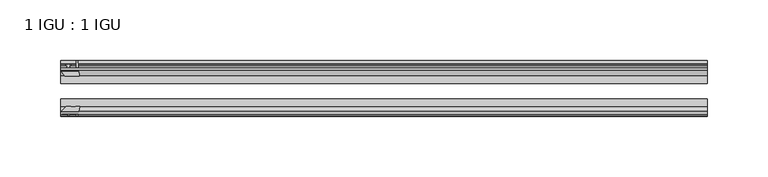
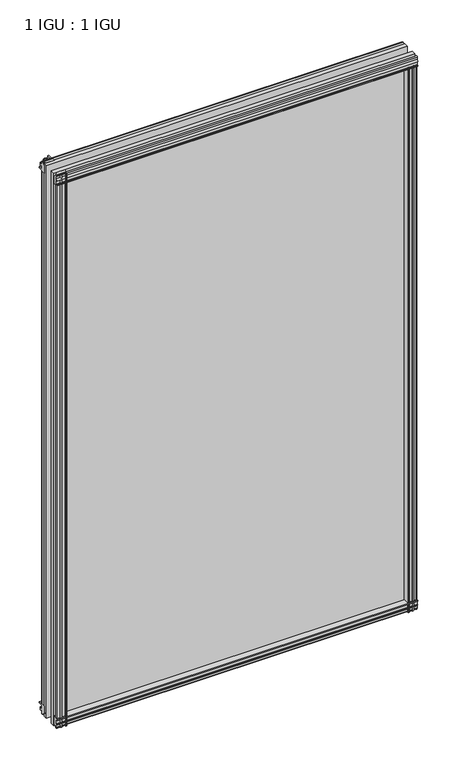
"""IFC4 building model written with IfcOpenShell, lengths in millimetres: plate geometry, 1 IGU : 1 IGU."""

from ifc_helpers import new_model, si_unit, point, frame, frame_2d, origin, place, context, project, spatial, polyline, circle_curve, trimmed, segment, composite_curve, outline, extrude, source, transform, mapped, element, save


def plate_1_igu_1_igu_80630c7d(model_context):
    return source(origin(), model_context, "Body", "SweptSolid", [
        extrude(outline(polyline([(-24.9039062, 2.5763839), (-12.2039062, 1.5739665), (-12.2039062, 0.0), (-18.5539062, 0.0), (-18.5539062, -4.953), (-16.254502, -5.5691235), (-16.6301757, -4.1670901), (-15.7714677, -3.937), (-15.1249062, -6.35), (-15.7714677, -8.763), (-16.6301757, -8.5329099), (-16.254502, -7.1308765), (-18.5539062, -7.747), (-18.5539062, -12.7), (-20.5859062, -12.7), (-24.9039062, -9.1036931), (-24.9039062, 2.5763839)])), frame((-267.5923683, 0.0, 0.0), z_axis=(1.0, 0.0, 0.0), x_axis=(0.0, 1.0, 0.0)), (0.0, 0.0, 1.0), 533.4980179),
        extrude(outline(composite_curve([segment(polyline([(-58.2287402, 1.5687054), (-50.3039062, 3.0983599), (-50.3039062, -7.92383), (-54.4858806, -12.1058044)]), True, "CONTINUOUS"), segment(trimmed(circle_curve(frame_2d((-55.3839062, -11.2077788)), 1.27), [point((-54.4858806, -12.1058044))], [point((-56.6539062, -11.2077788))], False, "CARTESIAN"), True, "CONTINUOUS"), segment(polyline([(-56.6539062, -11.2077788), (-56.6539062, -8.0327788), (-58.1332022, -5.4488186), (-56.6539062, -5.1879788), (-56.6539062, 0.2222212), (-58.2287402, 0.0), (-58.2287402, 1.5687054)]), True, "CONTINUOUS")], self_intersect=False)), frame((-267.5923683, 0.0, 0.0), z_axis=(1.0, 0.0, 0.0), x_axis=(0.0, 1.0, 0.0)), (0.0, 0.0, 1.0), 533.4980179),
        extrude(outline(polyline([(-18.5539063, 845.956525), (-16.254502, 845.3404015), (-16.6301757, 846.7424349), (-15.7714677, 846.972525), (-15.1249063, 844.559525), (-15.7714677, 842.146525), (-16.6301757, 842.3766151), (-16.254502, 843.7786485), (-18.5539063, 843.162525), (-18.5539063, 838.209525), (-12.2039062, 838.209525), (-12.2039062, 836.6355584), (-24.9039063, 835.6331411), (-24.9039063, 847.3132181), (-20.5859063, 850.909525), (-18.5539063, 850.909525), (-18.5539063, 845.956525)])), frame((-267.5923683, 0.0, 0.0), z_axis=(1.0, 0.0, 0.0), x_axis=(0.0, 1.0, 0.0)), (0.0, 0.0, 1.0), 533.4980179),
        extrude(outline(composite_curve([segment(polyline([(-50.3039063, 846.133355), (-50.3039063, 835.1111651), (-58.2287402, 836.6408196), (-58.2287402, 838.209525), (-56.6539063, 837.9873038), (-56.6539063, 843.3975038), (-58.1332023, 843.6583436), (-56.6539063, 846.2423038), (-56.6539063, 849.4173038)]), True, "CONTINUOUS"), segment(trimmed(circle_curve(frame_2d((-55.3839063, 849.4173038)), 1.27), [point((-56.6539063, 849.4173038))], [point((-54.4858806, 850.3153294))], False, "CARTESIAN"), True, "CONTINUOUS"), segment(polyline([(-54.4858806, 850.3153294), (-50.3039063, 846.133355)]), True, "CONTINUOUS")], self_intersect=False)), frame((-267.5923683, 0.0, 0.0), z_axis=(1.0, 0.0, 0.0), x_axis=(0.0, 1.0, 0.0)), (0.0, 0.0, 1.0), 533.4980179),
        extrude(outline(composite_curve([segment(polyline([(251.4746056, -57.3876965), (250.1072897, -50.3039063), (261.1294796, -50.3039063), (265.311454, -54.4858806)]), True, "CONTINUOUS"), segment(trimmed(circle_curve(frame_2d((264.4134284, -55.3839062)), 1.27), [point((265.311454, -54.4858806))], [point((264.4134284, -56.6539062))], False, "CARTESIAN"), True, "CONTINUOUS"), segment(polyline([(264.4134284, -56.6539062), (261.2384284, -56.6539063), (258.6544682, -58.1332023), (258.3936284, -56.6539063), (252.9834284, -56.6539063), (253.2056496, -58.2287402), (252.2413288, -58.2014026)]), True, "CONTINUOUS"), segment(trimmed(circle_curve(frame_2d((252.4754284, -57.2127402)), 1.016), [point((252.2413288, -58.2014026))], [point((251.4746056, -57.3876965))], False, "CARTESIAN"), True, "CONTINUOUS")], self_intersect=False)), frame((0.0, 0.0, -12.7), z_axis=(0.0, 0.0, 1.0), x_axis=(1.0, 0.0, 0.0)), (0.0, 0.0, 1.0), 851.3064),
        extrude(outline(polyline([(258.1586496, -18.5539062), (258.7747731, -16.254502), (257.3727397, -16.6301757), (257.1426496, -15.7714677), (259.5556496, -15.1249062), (261.9686496, -15.7714677), (261.7385595, -16.6301757), (260.3365261, -16.254502), (260.9526496, -18.5539062), (265.9056496, -18.5539062), (265.9056496, -20.5859063), (262.3093427, -24.9039063), (250.6292657, -24.9039063), (251.631683, -12.2039062), (253.2056496, -12.2039062), (253.2056496, -18.5539062), (258.1586496, -18.5539062)])), frame((0.0, 0.0, -12.7), z_axis=(0.0, 0.0, 1.0), x_axis=(1.0, 0.0, 0.0)), (0.0, 0.0, 1.0), 851.3064),
        extrude(outline(composite_curve([segment(polyline([(-262.9251471, -56.6539062), (-266.1001471, -56.6539062)]), True, "CONTINUOUS"), segment(trimmed(circle_curve(frame_2d((-266.1001471, -55.3839062)), 1.27), [point((-266.1001471, -56.6539062))], [point((-266.9981728, -54.4858806))], False, "CARTESIAN"), True, "CONTINUOUS"), segment(polyline([(-266.9981728, -54.4858806), (-262.8161984, -50.3039062), (-259.1466529, -50.3039062)]), True, "CONTINUOUS"), segment(trimmed(circle_curve(frame_2d((-257.0831471, -46.3669062)), 4.445), [point((-259.1466529, -50.3039062))], [point((-255.0196414, -50.3039062))], True, "CARTESIAN"), True, "CONTINUOUS"), segment(polyline([(-255.0196414, -50.3039062), (-251.7940084, -50.3039062), (-253.3236629, -58.2287402), (-254.8923683, -58.2287402), (-254.6701471, -56.6539062), (-260.0803471, -56.6539062), (-260.3411869, -58.1332022), (-262.9251471, -56.6539062)]), True, "CONTINUOUS")], self_intersect=False)), frame((0.0, 0.0, -12.7), z_axis=(0.0, 0.0, 1.0), x_axis=(1.0, 0.0, 0.0)), (0.0, 0.0, 1.0), 863.609525),
        extrude(outline(polyline([(-252.3159844, -24.9039062), (-263.9960614, -24.9039062), (-267.5923683, -20.5859062), (-267.5923683, -18.5539062), (-262.6393683, -18.5539062), (-262.0232448, -16.254502), (-263.4252782, -16.6301757), (-263.6553683, -15.7714677), (-261.2423683, -15.1249062), (-258.8293683, -15.7714677), (-259.0594585, -16.6301757), (-260.4614919, -16.254502), (-259.8453683, -18.5539062), (-254.8923683, -18.5539062), (-254.8923683, -12.2039062), (-253.3184018, -12.2039062), (-252.3159844, -24.9039062)])), frame((0.0, 0.0, -12.7), z_axis=(0.0, 0.0, 1.0), x_axis=(1.0, 0.0, 0.0)), (0.0, 0.0, 1.0), 863.609525),
        extrude(outline(polyline([(265.9056496, -24.9039062), (265.9056496, -31.2031063), (-267.5923683, -31.2031063), (-267.5923683, -24.9039062), (265.9056496, -24.9039062)])), frame((0.0, 0.0, -12.7), z_axis=(0.0, 0.0, 1.0), x_axis=(1.0, 0.0, 0.0)), (0.0, 0.0, 1.0), 863.609525),
        extrude(outline(polyline([(-267.5923683, -44.0047063), (265.9056496, -44.0047063), (265.9056496, -50.3039062), (-267.5923683, -50.3039062), (-267.5923683, -44.0047063)])), frame((0.0, 0.0, -12.7), z_axis=(0.0, 0.0, 1.0), x_axis=(1.0, 0.0, 0.0)), (0.0, 0.0, 1.0), 863.609525),
    ])


if __name__ == "__main__":
    model = new_model("IFC4")
    model_context = context("Model", 3, world=origin())
    ifc_project = project(units=[si_unit("LENGTHUNIT", "METRE", prefix="MILLI")], contexts=[model_context])
    site = spatial("IfcSite", under=ifc_project)
    building = spatial("IfcBuilding", under=site)
    placement = place(None, origin())
    plate_1_igu_1_igu_shape = plate_1_igu_1_igu_80630c7d(model_context)
    element("IfcPlate", 1, ObjectType="1 IGU : 1 IGU", at=placement, inside=building, context=model_context, shape_type="MappedRepresentation", body=[
        mapped(plate_1_igu_1_igu_shape, transform((0.0, 0.0, 0.0), x_axis=(1.0, 0.0, 0.0), y_axis=(0.0, 1.0, 0.0), z_axis=(0.0, 0.0, 1.0))),
    ])
    save(model, "model.ifc")
